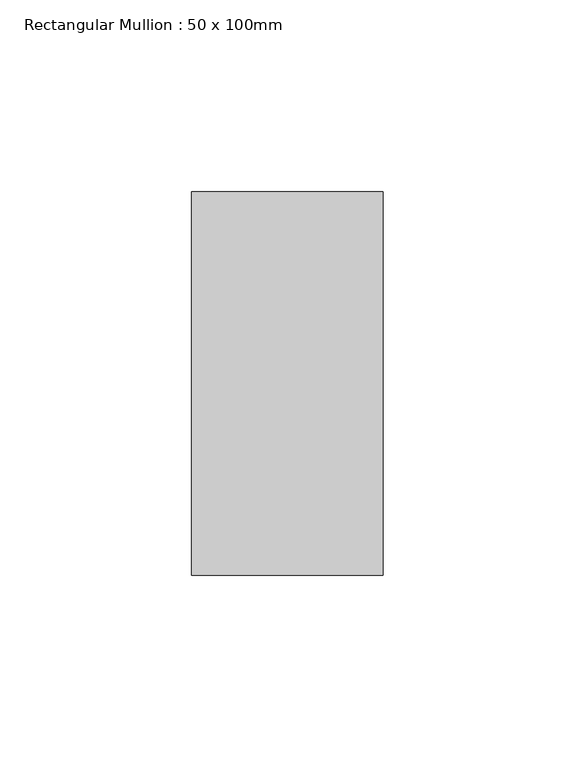
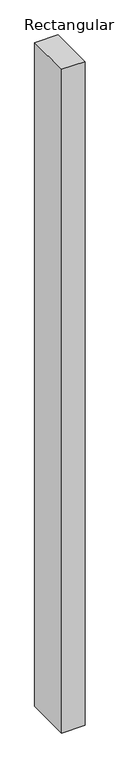
"""IFC4 building model written with IfcOpenShell, lengths in millimetres: member geometry, Rectangular Mullion : 50 x 100mm."""

from ifc_helpers import new_model, si_unit, frame, origin, place, context, project, spatial, polyline, outline, extrude, source, transform, mapped, element, save


def rectangular_mullion_50_x_100mm_3bdb59d8(model_context):
    return source(origin(), model_context, "Body", "SweptSolid", [
        extrude(outline(polyline([(0.0, 50.0), (0.0, -50.0), (-50.0, -50.0), (-50.0, 50.0), (0.0, 50.0)])), frame((0.0, 0.0, -1500.0), z_axis=(0.0, 0.0, 1.0), x_axis=(1.0, 0.0, 0.0)), (0.0, 0.0, 1.0), 1500.0),
    ])


if __name__ == "__main__":
    model = new_model("IFC4")
    model_context = context("Model", 3, world=origin())
    ifc_project = project(units=[si_unit("LENGTHUNIT", "METRE", prefix="MILLI")], contexts=[model_context])
    site = spatial("IfcSite", under=ifc_project)
    building = spatial("IfcBuilding", under=site)
    placement = place(None, origin())
    rectangular_mullion_50_x_100mm_shape = rectangular_mullion_50_x_100mm_3bdb59d8(model_context)
    element("IfcMember", 1, ObjectType="Rectangular Mullion : 50 x 100mm", at=placement, inside=building, context=model_context, shape_type="MappedRepresentation", body=[
        mapped(rectangular_mullion_50_x_100mm_shape, transform((0.0, 0.0, 0.0), x_axis=(1.0, 0.0, 0.0), y_axis=(0.0, 1.0, 0.0), z_axis=(0.0, 0.0, 1.0))),
    ])
    save(model, "model.ifc")
